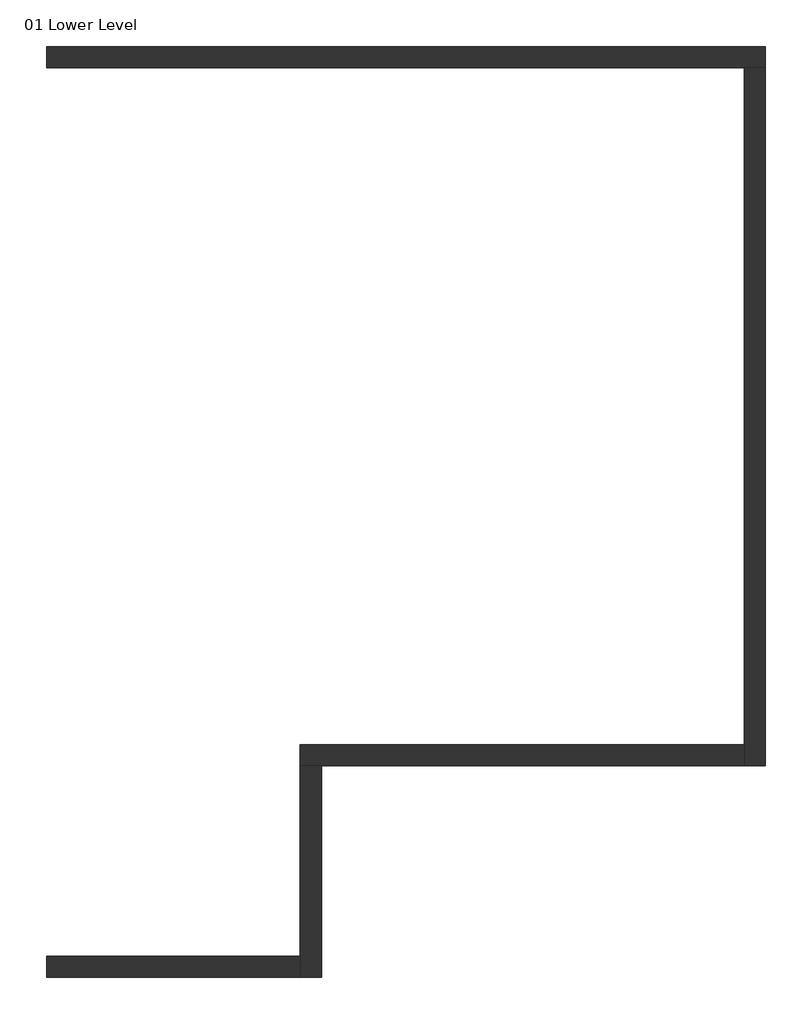
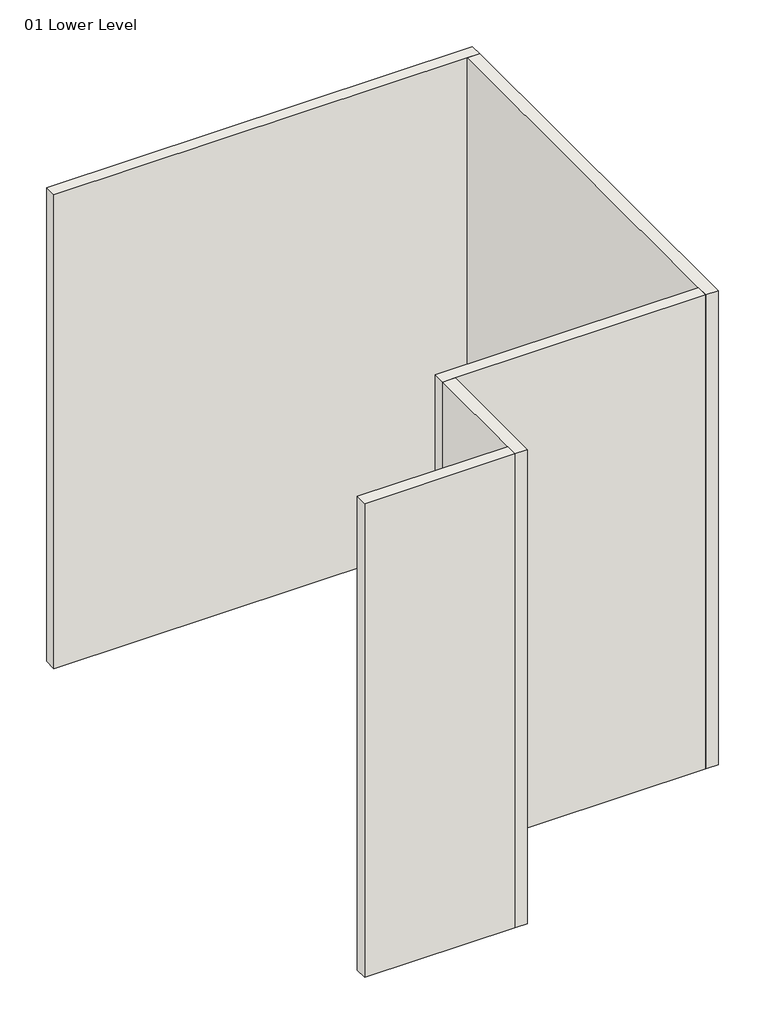
# One storey: 5 walls.
"""IFC4 building model written with IfcOpenShell, lengths in millimetres."""

from ifc_helpers import new_model, si_unit, origin, place, context, project, spatial, faceted_brep, element, save

model = new_model("IFC4")

# Units and contexts
model_context = context("Model", 3, world=origin())
ifc_project = project(units=[si_unit("LENGTHUNIT", "METRE", prefix="MILLI")], contexts=[model_context])

# Site, building, storey
site = spatial("IfcSite", under=ifc_project)
building = spatial("IfcBuilding", under=site)
storey = spatial("IfcBuildingStorey", under=building, Name="01 Lower Level", Elevation=-3048.0)

# Walls
placement = place(None, origin())
element("IfcWall", 1, ObjectType="Generic - 6\"", at=placement, inside=storey, context=model_context, shape_type="Brep", body=[
    faceted_brep([(4481.5338955, -6283.2978953, 3048.0), (4481.5338955, -6283.2978953, 0.0), (4481.5338955, -6283.2978953, -3048.0), (9510.7338955, -6283.2978953, -3048.0), (9663.1338955, -6283.2978953, -3048.0), (9663.1338955, -6283.2978953, 3048.0), (9510.7338955, -6283.2978953, 3048.0), (4481.5338955, -6130.8978953, -3048.0), (4481.5338955, -6130.8978953, 0.0), (4481.5338955, -6130.8978953, 3048.0), (9663.1338955, -6130.8978953, 3048.0), (9663.1338955, -6130.8978953, -3048.0)], [[[0, 1, 2, 3, 4, 5, 6]], [[7, 8, 9, 10, 11]], [[4, 3, 2, 7, 11]], [[0, 6, 5, 10, 9]], [[0, 9, 8, 7, 2, 1]], [[5, 4, 11, 10]]]),
])
element("IfcWall", 2, ObjectType="Generic - 6\"", at=placement, inside=storey, context=model_context, shape_type="Brep", body=[
    faceted_brep([(9510.7338955, -6283.2978953, -3048.0), (9510.7338955, -11160.0978953, -3048.0), (9510.7338955, -11312.4978953, -3048.0), (9510.7338955, -11312.4978953, 3048.0), (9510.7338955, -11160.0978953, 3048.0), (9510.7338955, -6283.2978953, 3048.0), (9663.1338955, -6283.2978953, -3048.0), (9663.1338955, -6283.2978953, 3048.0), (9663.1338955, -11312.4978953, 3048.0), (9663.1338955, -11312.4978953, -3048.0)], [[[0, 1, 2, 3, 4, 5]], [[6, 7, 8, 9]], [[2, 1, 0, 6, 9]], [[5, 4, 3, 8, 7]], [[0, 5, 7, 6]], [[3, 2, 9, 8]]]),
])
element("IfcWall", 3, ObjectType="Generic - 6\"", at=placement, inside=storey, context=model_context, shape_type="Brep", body=[
    faceted_brep([(9510.7338955, -11160.0978953, -3048.0), (6310.3338955, -11160.0978953, -3048.0), (6310.3338955, -11160.0978953, 3048.0), (9510.7338955, -11160.0978953, 3048.0), (9510.7338955, -11312.4978953, -3048.0), (9510.7338955, -11312.4978953, 3048.0), (6462.7338955, -11312.4978953, 3048.0), (6310.3338955, -11312.4978953, 3048.0), (6310.3338955, -11312.4978953, -3048.0), (6462.7338955, -11312.4978953, -3048.0)], [[[0, 1, 2, 3]], [[4, 5, 6, 7, 8, 9]], [[1, 0, 4, 9, 8]], [[3, 2, 7, 6, 5]], [[0, 3, 5, 4]], [[2, 1, 8, 7]]]),
])
element("IfcWall", 4, ObjectType="Generic - 6\"", at=placement, inside=storey, context=model_context, shape_type="Brep", body=[
    faceted_brep([(6310.3338955, -11312.4978953, -3048.0), (6310.3338955, -12684.0978953, -3048.0), (6310.3338955, -12836.4978953, -3048.0), (6310.3338955, -12836.4978953, 3048.0), (6310.3338955, -12684.0978953, 3048.0), (6310.3338955, -11312.4978953, 3048.0), (6462.7338955, -11312.4978953, -3048.0), (6462.7338955, -11312.4978953, 3048.0), (6462.7338955, -12836.4978953, 3048.0), (6462.7338955, -12836.4978953, -3048.0)], [[[0, 1, 2, 3, 4, 5]], [[6, 7, 8, 9]], [[2, 1, 0, 6, 9]], [[5, 4, 3, 8, 7]], [[0, 5, 7, 6]], [[3, 2, 9, 8]]]),
])
element("IfcWall", 5, ObjectType="Generic - 6\"", at=placement, inside=storey, context=model_context, shape_type="Brep", body=[
    faceted_brep([(6310.3338955, -12684.0978953, -3048.0), (4481.5338955, -12684.0978953, -3048.0), (4481.5338955, -12684.0978953, 0.0), (4481.5338955, -12684.0978953, 3048.0), (6310.3338955, -12684.0978953, 3048.0), (6310.3338955, -12836.4978953, -3048.0), (6310.3338955, -12836.4978953, 3048.0), (4481.5338955, -12836.4978953, 3048.0), (4481.5338955, -12836.4978953, 0.0), (4481.5338955, -12836.4978953, -3048.0)], [[[0, 1, 2, 3, 4]], [[5, 6, 7, 8, 9]], [[1, 0, 5, 9]], [[4, 3, 7, 6]], [[0, 4, 6, 5]], [[1, 9, 8, 7, 3, 2]]]),
])

save(model, "model.ifc")
